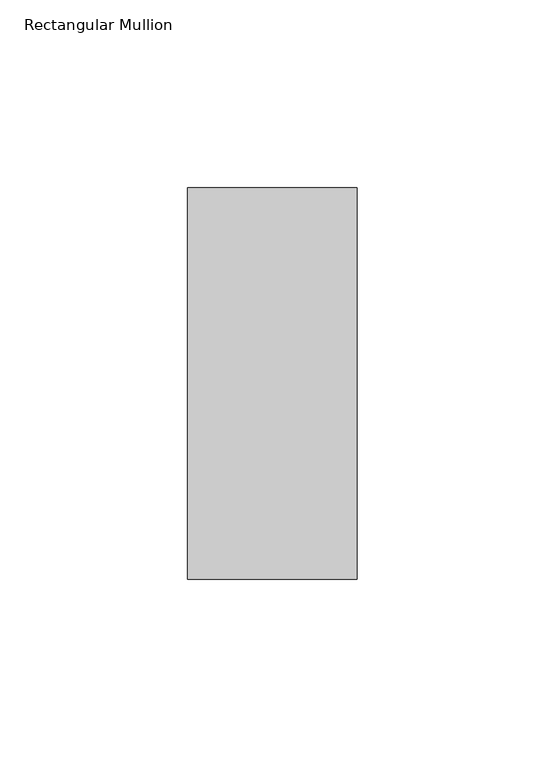
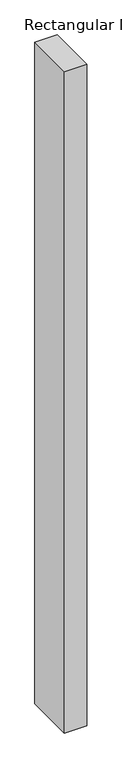
"""IFC4 building model written with IfcOpenShell, lengths in millimetres: member geometry, Rectangular Mullion."""

from ifc_helpers import new_model, si_unit, frame, origin, place, context, project, spatial, polyline, outline, extrude, source, transform, mapped, element, save


def rectangular_mullion_5dd46665(model_context):
    return source(origin(), model_context, "Body", "SweptSolid", [
        extrude(outline(polyline([(22.5, 67.525), (22.5, -36.525), (-22.5, -36.525), (-22.5, 67.525), (22.5, 67.525)])), frame((0.0, 0.0, -1420.0164899), z_axis=(0.0, 0.0, 1.0), x_axis=(1.0, 0.0, 0.0)), (0.0, 0.0, 1.0), 1420.0164899),
    ])


if __name__ == "__main__":
    model = new_model("IFC4")
    model_context = context("Model", 3, world=origin())
    ifc_project = project(units=[si_unit("LENGTHUNIT", "METRE", prefix="MILLI")], contexts=[model_context])
    site = spatial("IfcSite", under=ifc_project)
    building = spatial("IfcBuilding", under=site)
    placement = place(None, origin())
    rectangular_mullion_shape = rectangular_mullion_5dd46665(model_context)
    element("IfcMember", 1, ObjectType="Rectangular Mullion", at=placement, inside=building, context=model_context, shape_type="MappedRepresentation", body=[
        mapped(rectangular_mullion_shape, transform((0.0, 0.0, 0.0), x_axis=(1.0, 0.0, 0.0), y_axis=(0.0, 1.0, 0.0), z_axis=(0.0, 0.0, 1.0))),
    ])
    save(model, "model.ifc")
